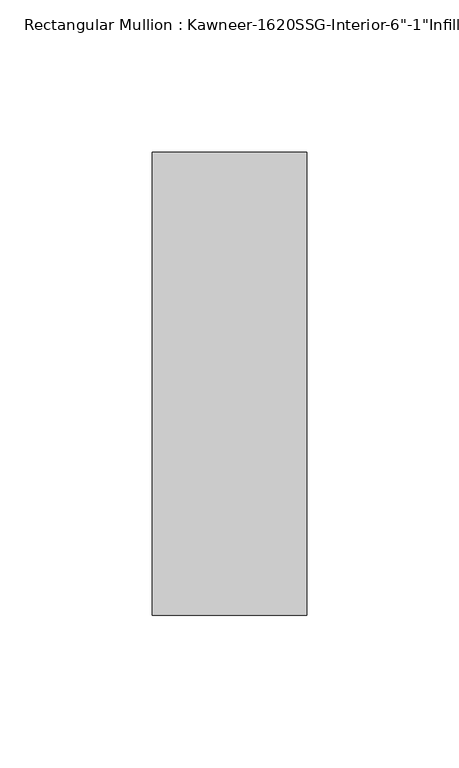
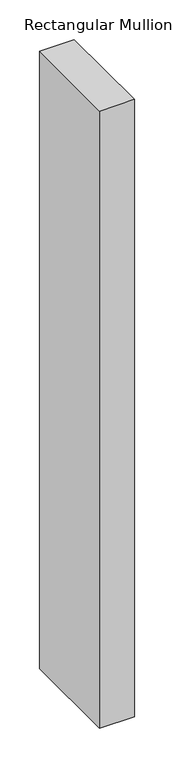
"""IFC4 building model written with IfcOpenShell, lengths in millimetres: member geometry."""

from ifc_helpers import new_model, si_unit, frame, origin, place, context, project, spatial, polyline, outline, extrude, source, transform, mapped, element, save


def member_1ef8a315(model_context):
    return source(origin(), model_context, "Body", "SweptSolid", [
        extrude(outline(polyline([(25.4, 114.3), (25.4, -38.1), (-25.4, -38.1), (-25.4, 114.3), (25.4, 114.3)])), frame((0.0, 0.0, -952.5), z_axis=(0.0, 0.0, 1.0), x_axis=(1.0, 0.0, 0.0)), (0.0, 0.0, 1.0), 952.5),
    ])


if __name__ == "__main__":
    model = new_model("IFC4")
    model_context = context("Model", 3, world=origin())
    ifc_project = project(units=[si_unit("LENGTHUNIT", "METRE", prefix="MILLI")], contexts=[model_context])
    site = spatial("IfcSite", under=ifc_project)
    building = spatial("IfcBuilding", under=site)
    placement = place(None, origin())
    member_shape = member_1ef8a315(model_context)
    element("IfcMember", 1, ObjectType="Rectangular Mullion : Kawneer-1620SSG-Interior-6\"-1\"Infill", at=placement, inside=building, context=model_context, shape_type="MappedRepresentation", body=[
        mapped(member_shape, transform((0.0, 0.0, 0.0), x_axis=(1.0, 0.0, 0.0), y_axis=(0.0, 1.0, 0.0), z_axis=(0.0, 0.0, 1.0))),
    ])
    save(model, "model.ifc")
